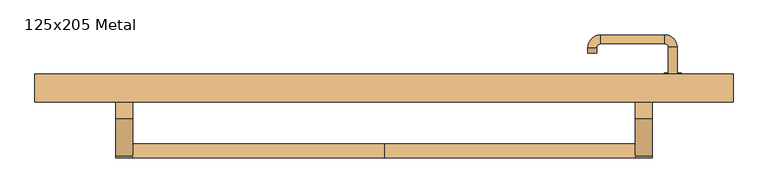
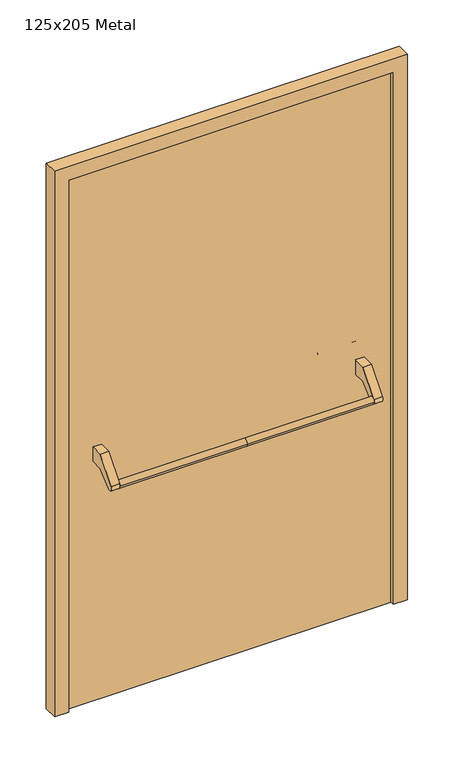
"""IFC4 building model written with IfcOpenShell, lengths in millimetres: door geometry, 125x205 Metal."""

from ifc_helpers import new_model, si_unit, point, frame, frame_2d, origin, origin_with_axes, place, context, project, spatial, polyline, circle_curve, ellipse_curve, trimmed, segment, composite_curve, outline, extrude, source, transform, mapped, element, save
from ifc_brep_helpers import plane_surface, cylinder_surface, revolved_surface, advanced_brep


def door_125x205_metal_0bb209a4(model_context):
    return source(origin(), model_context, "Body", "SolidModel", [
        advanced_brep(
        [(-450.0, -25.4171435, 861.5304884), (-450.0, -50.4171435, 861.5304884), (0.0, -25.4171435, 861.5304884), (0.0, -50.4171435, 861.5304884), (450.0, -25.4171435, 861.5304884), (450.0, -50.4171435, 861.5304884)],
        [
            (0, 1, circle_curve(frame((-450.0, -37.9171435, 861.5304884), z_axis=(-1.0, 0.0, 0.0), x_axis=(0.0, -1.0, 0.0)), 12.5)),
            (1, 0, circle_curve(frame((-450.0, -37.9171435, 861.5304884), z_axis=(-1.0, 0.0, 0.0), x_axis=(0.0, -1.0, 0.0)), 12.5)),
            (0, 2),
            (2, 3, circle_curve(frame((0.0, -37.9171435, 861.5304884), z_axis=(-1.0, 0.0, 0.0), x_axis=(0.0, -1.0, 0.0)), 12.5)),
            (3, 1),
            (3, 2, circle_curve(frame((0.0, -37.9171435, 861.5304884), z_axis=(-1.0, 0.0, 0.0), x_axis=(0.0, -1.0, 0.0)), 12.5)),
            (4, 5, circle_curve(frame((450.0, -37.9171435, 861.5304884), z_axis=(1.0, 0.0, 0.0), x_axis=(0.0, -1.0, 0.0)), 12.5)),
            (5, 4, circle_curve(frame((450.0, -37.9171435, 861.5304884), z_axis=(1.0, 0.0, 0.0), x_axis=(0.0, -1.0, 0.0)), 12.5)),
            (5, 3),
            (2, 4),
        ],
        [
            plane_surface(frame((-450.0, -50.4171435, 861.5304884), z_axis=(-1.0, 0.0, 0.0), x_axis=(0.0, 0.0, -1.0))),
            cylinder_surface(frame((-450.0, -37.9171435, 861.5304884), z_axis=(1.0, 0.0, 0.0), x_axis=(0.0, -1.0, 0.0)), 12.5),
            plane_surface(frame((450.0, -50.4171435, 861.5304884), z_axis=(1.0, 0.0, 0.0), x_axis=(0.0, 0.0, 1.0))),
            cylinder_surface(frame((0.0, -37.9171435, 861.5304884), z_axis=(1.0, 0.0, 0.0), x_axis=(0.0, -1.0, 0.0)), 12.5),
        ],
        [
            (0, [[1, 2]]),
            (1, [[3, 4, 5, -1]]),
            (1, [[-5, 6, -3, -2]]),
            (2, [[7, 8]]),
            (3, [[9, -4, 10, -8]]),
            (3, [[-10, -6, -9, -7]]),
        ],
    ),
        extrude(outline(composite_curve([segment(polyline([(20.0, 950.0), (65.0, 950.0), (65.0, 895.2768379), (21.4513009, 895.2768379), (-28.3415879, 853.4956432)]), True, "CONTINUOUS"), segment(trimmed(circle_curve(frame_2d((-37.9171435, 861.5304884)), 12.5), [point((-28.3415879, 853.4956432))], [point((-47.492699, 869.5653335))], False, "CARTESIAN"), True, "CONTINUOUS"), segment(polyline([(-47.492699, 869.5653335), (20.0, 950.0)]), True, "CONTINUOUS")], self_intersect=False)), frame((-480.0, 0.0, 0.0), z_axis=(1.0, 0.0, 0.0), x_axis=(0.0, 1.0, 0.0)), (0.0, 0.0, 1.0), 30.0),
        extrude(outline(composite_curve([segment(polyline([(20.0, 950.0), (65.0, 950.0), (65.0, 895.2768379), (21.4513009, 895.2768379), (-28.3415879, 853.4956432)]), True, "CONTINUOUS"), segment(trimmed(circle_curve(frame_2d((-37.9171435, 861.5304884)), 12.5), [point((-28.3415879, 853.4956432))], [point((-47.492699, 869.5653335))], False, "CARTESIAN"), True, "CONTINUOUS"), segment(polyline([(-47.492699, 869.5653335), (20.0, 950.0)]), True, "CONTINUOUS")], self_intersect=False)), frame((450.0, 0.0, 0.0), z_axis=(1.0, 0.0, 0.0), x_axis=(0.0, 1.0, 0.0)), (0.0, 0.0, 1.0), 30.0),
        extrude(outline(composite_curve([segment(trimmed(circle_curve(frame_2d((0.0, -15.0)), 15.0), [point((0.0, -30.0))], [point((0.0, 0.0))], False, "CARTESIAN"), True, "CONTINUOUS"), segment(trimmed(circle_curve(frame_2d((0.0, -15.0)), 15.0), [point((0.0, 0.0))], [point((0.0, -30.0))], False, "CARTESIAN"), True, "CONTINUOUS")], self_intersect=False), holes=[composite_curve([segment(trimmed(circle_curve(frame_2d((4.7772515, -14.9398032)), 2.0), [point((4.7772515, -16.9398032))], [point((4.7772515, -12.9398032))], True, "CARTESIAN"), True, "CONTINUOUS"), segment(polyline([(4.7772515, -12.9398032), (-5.2227485, -12.9398032)]), True, "CONTINUOUS"), segment(trimmed(circle_curve(frame_2d((-5.2227485, -14.9398032)), 2.0), [point((-5.2227485, -12.9398032))], [point((-5.2227485, -16.9398032))], True, "CARTESIAN"), True, "CONTINUOUS"), segment(polyline([(-5.2227485, -16.9398032), (4.7772515, -16.9398032)]), True, "CONTINUOUS")], self_intersect=False)]), frame((502.0, 95.0, 897.3605726), z_axis=(1.8870575173328306e-12, 1.0, 0.0), x_axis=(0.0, 0.0, -1.0)), (0.0, 0.0, 1.0), 6.35),
        extrude(outline(composite_curve([segment(trimmed(circle_curve(frame_2d((0.0, -17.526)), 17.526), [point((0.0, -35.052))], [point((0.0, 0.0))], False, "CARTESIAN"), True, "CONTINUOUS"), segment(trimmed(circle_curve(frame_2d((0.0, -17.526)), 17.526), [point((0.0, 0.0))], [point((0.0, -35.052))], False, "CARTESIAN"), True, "CONTINUOUS")], self_intersect=False)), frame((499.474, 95.0, 950.0), z_axis=(1.8870575173328306e-12, 1.0, 0.0), x_axis=(0.0, 0.0, -1.0)), (0.0, 0.0, 1.0), 3.175),
        advanced_brep(
        [(525.0, 95.0, 950.0), (509.0, 95.0, 950.0), (525.0, 148.0, 950.0), (509.0, 148.0, 950.0), (502.8578644, 154.1421356, 950.0), (502.8578644, 170.1421356, 950.0), (387.8578644, 170.1421356, 950.0), (387.8578644, 154.1421356, 950.0), (381.008622, 147.2928932, 950.0), (365.008622, 147.2928932, 950.0), (365.008622, 137.2928932, 950.0), (381.008622, 137.2928932, 950.0)],
        [
            (0, 1, circle_curve(frame((517.0, 95.0, 950.0), z_axis=(-1.888672253512351e-12, -1.0, 0.0), x_axis=(-1.0, 1.888672253512351e-12, 0.0)), 8.0)),
            (1, 0, circle_curve(frame((517.0, 95.0, 950.0), z_axis=(-1.888672253512351e-12, -1.0, 0.0), x_axis=(-1.0, 1.888672253512351e-12, 0.0)), 8.0)),
            (0, 2),
            (2, 3, circle_curve(frame((517.0, 148.0, 950.0), z_axis=(-1.888672253512351e-12, -1.0, 0.0), x_axis=(-1.0, 1.888672253512351e-12, 0.0)), 8.0)),
            (3, 1),
            (3, 2, circle_curve(frame((517.0, 148.0, 950.0), z_axis=(-1.888672253512351e-12, -1.0, 0.0), x_axis=(-1.0, 1.888672253512351e-12, 0.0)), 8.0)),
            (4, 3, circle_curve(frame((502.8578644, 148.0, 950.0), z_axis=(0.0, 0.0, -1.0), x_axis=(1.0, -1.880717803715015e-12, 0.0)), 6.1421356)),
            (2, 5, circle_curve(frame((502.8578644, 148.0, 950.0), z_axis=(0.0, 0.0, 1.0), x_axis=(1.0, -1.880717803715015e-12, 0.0)), 22.1421356)),
            (5, 4, circle_curve(frame((502.8578644, 162.1421356, 950.0), z_axis=(1.0, -1.913702061528922e-12, 0.0), x_axis=(-1.913702061528922e-12, -1.0, 0.0)), 8.0)),
            (4, 5, circle_curve(frame((502.8578644, 162.1421356, 950.0), z_axis=(1.0, -1.913702061528922e-12, 0.0), x_axis=(-1.913702061528922e-12, -1.0, 0.0)), 8.0)),
            (5, 6),
            (6, 7, circle_curve(frame((387.8578644, 162.1421356, 950.0), z_axis=(1.0, -1.913719828541269e-12, 0.0), x_axis=(-1.913719828541269e-12, -1.0, 0.0)), 8.0)),
            (7, 4),
            (7, 6, circle_curve(frame((387.8578644, 162.1421356, 950.0), z_axis=(1.0, -1.913719828541269e-12, 0.0), x_axis=(-1.913719828541269e-12, -1.0, 0.0)), 8.0)),
            (8, 7, circle_curve(frame((387.8578644, 147.2928932, 950.0), z_axis=(0.0, 0.0, -1.0), x_axis=(1.9120873253494017e-12, 1.0, 0.0)), 6.8492424)),
            (6, 9, circle_curve(frame((387.8578644, 147.2928932, 950.0), z_axis=(0.0, 0.0, 1.0), x_axis=(1.9120873253494017e-12, 1.0, 0.0)), 22.8492424)),
            (9, 8, circle_curve(frame((373.008622, 147.2928932, 950.0), z_axis=(1.890670654956676e-12, 1.0, 0.0), x_axis=(1.0, -1.890670654956676e-12, 0.0)), 8.0)),
            (8, 9, circle_curve(frame((373.008622, 147.2928932, 950.0), z_axis=(1.890226565746826e-12, 1.0, 0.0), x_axis=(1.0, -1.890226565746826e-12, 0.0)), 8.0)),
            (10, 11, circle_curve(frame((373.008622, 137.2928932, 950.0), z_axis=(-1.8903642334018795e-12, -1.0, 0.0), x_axis=(1.0, -1.8903642334018795e-12, 0.0)), 8.0)),
            (11, 10, circle_curve(frame((373.008622, 137.2928932, 950.0), z_axis=(-1.8903642334018795e-12, -1.0, 0.0), x_axis=(1.0, -1.8903642334018795e-12, 0.0)), 8.0)),
            (9, 10),
            (11, 8),
        ],
        [
            plane_surface(frame((517.0, 95.0, 170.0), z_axis=(-1.8870575173328306e-12, -1.0, 0.0), x_axis=(0.0, 0.0, 1.0))),
            cylinder_surface(frame((517.0, 95.0, 950.0), z_axis=(-1.888672253512351e-12, -1.0, 0.0), x_axis=(-1.0, 1.888672253512351e-12, 0.0)), 8.0),
            revolved_surface(trimmed(ellipse_curve(frame((517.0, 148.0, 950.0), z_axis=(-1.8823325398945356e-12, -1.0, 0.0), x_axis=(-1.0, 1.8823325398945356e-12, 0.0)), 8.0, 8.0), [point((525.0, 148.0, 950.0))], [point((509.0, 148.0, 950.0))], True, "CARTESIAN"), (502.8578644, 148.0, 170.0), (0.0, 0.0, 1.0)),
            revolved_surface(trimmed(ellipse_curve(frame((517.0, 148.0, 950.0), z_axis=(-1.8823325398945356e-12, -1.0, 0.0), x_axis=(-1.0, 1.8823325398945356e-12, 0.0)), 8.0, 8.0), [point((509.0, 148.0, 950.0))], [point((525.0, 148.0, 950.0))], True, "CARTESIAN"), (502.8578644, 148.0, 170.0), (0.0, 0.0, 1.0)),
            cylinder_surface(frame((502.8578644, 162.1421356, 950.0), z_axis=(1.0, -1.913719828541269e-12, 0.0), x_axis=(-1.913719828541269e-12, -1.0, 0.0)), 8.0),
            revolved_surface(trimmed(ellipse_curve(frame((387.8578644, 162.1421356, 950.0), z_axis=(1.0, -1.913702061528922e-12, 0.0), x_axis=(-1.913702061528922e-12, -1.0, 0.0)), 8.0, 8.0), [point((387.8578644, 170.1421356, 950.0))], [point((387.8578644, 154.1421356, 950.0))], True, "CARTESIAN"), (387.8578644, 147.2928932, 170.0), (0.0, 0.0, 1.0)),
            revolved_surface(trimmed(ellipse_curve(frame((387.8578644, 162.1421356, 950.0), z_axis=(1.0, -1.913702061528922e-12, 0.0), x_axis=(-1.913702061528922e-12, -1.0, 0.0)), 8.0, 8.0), [point((387.8578644, 154.1421356, 950.0))], [point((387.8578644, 170.1421356, 950.0))], True, "CARTESIAN"), (387.8578644, 147.2928932, 170.0), (0.0, 0.0, 1.0)),
            plane_surface(frame((373.008622, 137.2928932, 170.0), z_axis=(-1.8887494972223595e-12, -1.0, 0.0), x_axis=(0.0, 0.0, 1.0))),
            cylinder_surface(frame((373.008622, 147.2928932, 950.0), z_axis=(1.8903642334018795e-12, 1.0, 0.0), x_axis=(1.0, -1.8903642334018795e-12, 0.0)), 8.0),
        ],
        [
            (0, [[1, 2]]),
            (1, [[-1, 3, 4, 5]]),
            (1, [[-2, -5, 6, -3]]),
            (2, [[7, -4, 8, 9]]),
            (3, [[-8, -6, -7, 10]]),
            (4, [[-9, 11, 12, 13]]),
            (4, [[-10, -13, 14, -11]]),
            (5, [[15, -12, 16, 17]]),
            (6, [[-16, -14, -15, 18]]),
            (7, [[19, 20]]),
            (8, [[-17, 21, -20, 22]]),
            (8, [[-18, -22, -19, -21]]),
        ],
    ),
        extrude(outline(polyline([(1990.0, 575.0), (0.0, 575.0), (0.0, 625.0), (2040.0, 625.0), (2040.0, -625.0), (0.0, -625.0), (0.0, -575.0), (1990.0, -575.0), (1990.0, 575.0)])), frame((0.0, 50.0, 0.0), z_axis=(0.0, 1.0, 0.0), x_axis=(0.0, 0.0, 1.0)), (0.0, 0.0, 1.0), 50.0),
        extrude(outline(polyline([(-575.0, 95.0), (575.0, 95.0), (575.0, 65.0), (-575.0, 65.0), (-575.0, 95.0)])), origin_with_axes(), (0.0, 0.0, 1.0), 1990.0),
    ])


if __name__ == "__main__":
    model = new_model("IFC4")
    model_context = context("Model", 3, world=origin())
    ifc_project = project(units=[si_unit("LENGTHUNIT", "METRE", prefix="MILLI")], contexts=[model_context])
    site = spatial("IfcSite", under=ifc_project)
    building = spatial("IfcBuilding", under=site)
    placement = place(None, origin())
    door_125x205_metal_shape = door_125x205_metal_0bb209a4(model_context)
    element("IfcDoor", 1, ObjectType="125x205 Metal", at=placement, inside=building, context=model_context, shape_type="MappedRepresentation", body=[
        mapped(door_125x205_metal_shape, transform((0.0, 0.0, 0.0), x_axis=(1.0, 0.0, 0.0), y_axis=(0.0, 1.0, 0.0), z_axis=(0.0, 0.0, 1.0))),
    ])
    save(model, "model.ifc")
